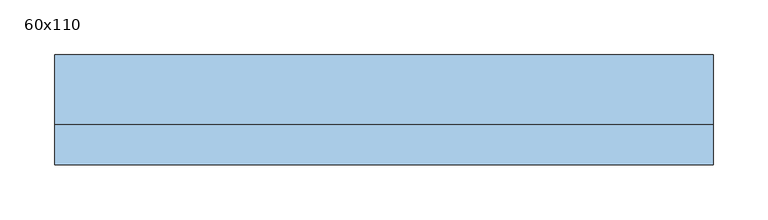
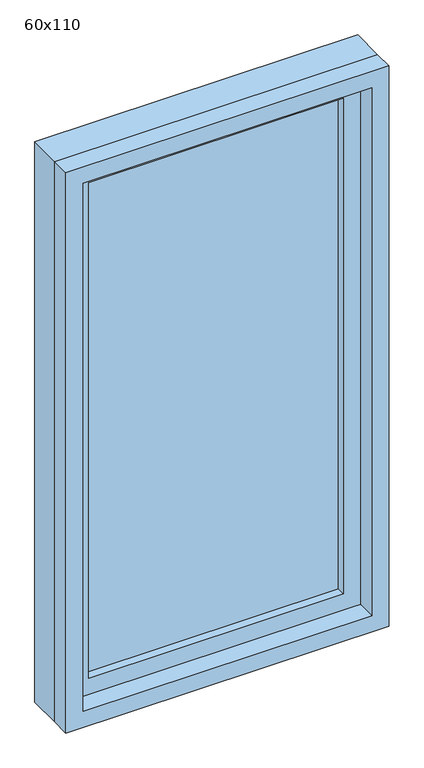
"""IFC4 building model written with IfcOpenShell, lengths in millimetres: window geometry, 60x110."""

import ifcopenshell
import ifcopenshell.guid

model = None  # the IFC model being written
_history = None  # IfcOwnerHistory: only IFC2X3 demands one
_inside = {}  # id of a spatial element -> (the spatial element, [elements in it])
_under = {}  # id of a project, library or spatial element -> (it, [spatial elements below it])
_declared = {}  # id of a project -> (the project, [libraries it declares])
_typed = {}  # id of a type object -> (the type object, [elements of that type])
_made_of = {}  # id of a material, layer set ... -> (it, [elements and type objects made of it])


def new_model(schema):
    """Start an empty IFC model of exactly this schema.

    Asked for "IFC4X3", IfcOpenShell would pick the latest addendum, in which some entities
    have other attributes; the version numbers below select the first issue.
    IFC2X3 requires an IfcOwnerHistory on every rooted entity: one is made here for all.
    """
    global model, _history
    if schema == "IFC4X3":
        model = ifcopenshell.file(schema_version=(4, 3, 0, 0))
    else:
        model = ifcopenshell.file(schema=schema)
    _inside.clear()
    _under.clear()
    _declared.clear()
    _typed.clear()
    _made_of.clear()
    _history = None
    if model.schema == "IFC2X3":
        org = make("IfcOrganization", Name="unknown")
        user = make(
            "IfcPersonAndOrganization",
            ThePerson=make("IfcPerson", FamilyName="unknown"),
            TheOrganization=org,
        )
        app = make(
            "IfcApplication",
            ApplicationDeveloper=org,
            Version="unknown",
            ApplicationFullName="unknown",
            ApplicationIdentifier="unknown",
        )
        _history = make(
            "IfcOwnerHistory",
            OwningUser=user,
            OwningApplication=app,
            ChangeAction="ADDED",
            CreationDate=0,
        )
    return model


def make(cls, **values):
    """One entity of the class cls with the attributes given. An attribute that is None is left unset."""
    return model.create_entity(
        cls, **{name: value for name, value in values.items() if value is not None}
    )


def rooted(cls, **values):
    """An entity with a GlobalId (a new one), such as an element, a storey or a relation."""
    return make(cls, GlobalId=ifcopenshell.guid.new(), OwnerHistory=_history, **values)


def si_unit(unit_type, name, prefix=None):
    """IfcSIUnit, for example si_unit("LENGTHUNIT", "METRE", prefix="MILLI")."""
    return make("IfcSIUnit", UnitType=unit_type, Prefix=prefix, Name=name)


def assignment(units):
    """IfcUnitAssignment: the units of a project."""
    return None if units is None else make("IfcUnitAssignment", Units=units)


def point(xyz):
    """IfcCartesianPoint."""
    return None if xyz is None else make("IfcCartesianPoint", Coordinates=xyz)


def direction(xyz):
    """IfcDirection."""
    return None if xyz is None else make("IfcDirection", DirectionRatios=xyz)


def frame(location, z_axis=None, x_axis=None):
    """IfcAxis2Placement3D, a coordinate frame: its origin and axes. An axis left out is left unset."""
    return make(
        "IfcAxis2Placement3D",
        Location=point(location),
        Axis=direction(z_axis),
        RefDirection=direction(x_axis),
    )


def origin():
    """The frame at (0, 0, 0) with its axes left unset."""
    return frame((0.0, 0.0, 0.0))


def place(relative_to, where):
    """IfcLocalPlacement: puts the frame where relative to a parent placement (None: the world)."""
    return make(
        "IfcLocalPlacement", PlacementRelTo=relative_to, RelativePlacement=where
    )


def context(
    kind, dimensions, precision=None, world=None, true_north=None, identifier=None
):
    """IfcGeometricRepresentationContext, for example the 3D "Model" context."""
    return make(
        "IfcGeometricRepresentationContext",
        ContextIdentifier=identifier,
        ContextType=kind,
        CoordinateSpaceDimension=dimensions,
        Precision=precision,
        WorldCoordinateSystem=world,
        TrueNorth=true_north,
    )


def project(units=None, contexts=None):
    """IfcProject with its units and contexts."""
    return rooted(
        "IfcProject",
        Name="project",
        RepresentationContexts=contexts,
        UnitsInContext=assignment(units),
    )


def spatial(cls, under=None, at=None, **own):
    """A site, building, storey or space (cls), placed at a placement, below another one or the project."""
    s = rooted(cls, ObjectPlacement=at, **own)
    if under is not None:
        _under.setdefault(under.id(), (under, []))[1].append(s)
    return s


def polyline(points):
    """IfcPolyline through the points."""
    return make("IfcPolyline", Points=[point(p) for p in points])


def outline(outer, holes=None, kind="AREA"):
    """IfcArbitraryClosedProfileDef: a profile drawn as a closed curve; with holes, ...WithVoids."""
    if holes is None:
        return make("IfcArbitraryClosedProfileDef", ProfileType=kind, OuterCurve=outer)
    return make(
        "IfcArbitraryProfileDefWithVoids",
        ProfileType=kind,
        OuterCurve=outer,
        InnerCurves=holes,
    )


def extrude(swept, where, along, depth):
    """IfcExtrudedAreaSolid: the profile swept, set in the frame where, extruded along a direction by depth."""
    return make(
        "IfcExtrudedAreaSolid",
        SweptArea=swept,
        Position=where,
        ExtrudedDirection=direction(along),
        Depth=depth,
    )


def shape(context_of_items, identifier, shape_type, items):
    """IfcShapeRepresentation: the items that make up one representation, for example the "Body"."""
    return make(
        "IfcShapeRepresentation",
        ContextOfItems=context_of_items,
        RepresentationIdentifier=identifier,
        RepresentationType=shape_type,
        Items=items,
    )


def source(mapping_origin, context_of_items, identifier, shape_type, items):
    """IfcRepresentationMap: a shape defined once, which mapped items show again and again."""
    return make(
        "IfcRepresentationMap",
        MappingOrigin=mapping_origin,
        MappedRepresentation=shape(context_of_items, identifier, shape_type, items),
    )


def transform(
    local_origin,
    x_axis=None,
    y_axis=None,
    z_axis=None,
    scale=None,
    scale2=None,
    scale3=None,
    uniform=True,
):
    """IfcCartesianTransformationOperator3D, or its non-uniform kind. x_axis, y_axis, z_axis: its Axis1, 2, 3."""
    if uniform:
        return make(
            "IfcCartesianTransformationOperator3D",
            Axis1=direction(x_axis),
            Axis2=direction(y_axis),
            LocalOrigin=point(local_origin),
            Scale=scale,
            Axis3=direction(z_axis),
        )
    return make(
        "IfcCartesianTransformationOperator3DnonUniform",
        Axis1=direction(x_axis),
        Axis2=direction(y_axis),
        LocalOrigin=point(local_origin),
        Scale=scale,
        Axis3=direction(z_axis),
        Scale2=scale2,
        Scale3=scale3,
    )


def mapped(mapping_source, mapping_target):
    """IfcMappedItem: shows the shape of a source again, moved by a transform."""
    return make(
        "IfcMappedItem", MappingSource=mapping_source, MappingTarget=mapping_target
    )


def made_of(thing, what):
    """Note that an element or type object is made of a material, layer set ...; save() writes the relation."""
    if what is not None:
        _made_of.setdefault(what.id(), (what, []))[1].append(thing)
    return thing


def element(
    cls,
    number,
    at=None,
    inside=None,
    cuts=None,
    type_object=None,
    material=None,
    context=None,
    identifier="Body",
    shape_type=None,
    held_by="IfcProductDefinitionShape",
    body=None,
    shapes=None,
    **own,
):
    """One element of the class cls, such as IfcWall. Its Tag is "e" and its number.

    at: its placement. inside: the storey or other place that contains it. cuts: it is an
    opening in that element (IfcRelVoidsElement). A single representation is given by context,
    identifier, shape_type and body (its items); several are given by shapes. held_by: the class
    of the entity that holds the representations. save() writes the other relations.
    """
    e = rooted(cls, Tag="e%d" % number, ObjectPlacement=at, **own)
    if body is not None:
        shapes = [shape(context, identifier, shape_type, body)]
    if shapes is not None:
        e.Representation = make(held_by, Representations=shapes)
    if inside is not None:
        _inside.setdefault(inside.id(), (inside, []))[1].append(e)
    if cuts is not None:
        rooted(
            "IfcRelVoidsElement", RelatingBuildingElement=cuts, RelatedOpeningElement=e
        )
    if type_object is not None:
        _typed.setdefault(type_object.id(), (type_object, []))[1].append(e)
    return made_of(e, material)


def aggregate(whole, parts):
    """IfcRelAggregates: a whole, such as a stair, and the parts it consists of."""
    return rooted("IfcRelAggregates", RelatingObject=whole, RelatedObjects=parts)


def save(model, path):
    """Write the relations noted so far, then the file.

    IfcRelAggregates (storeys below a building ...), IfcRelContainedInSpatialStructure (elements
    in a storey), IfcRelDefinesByType, IfcRelAssociatesMaterial and IfcRelDeclares: one each for
    every whole, place, type object, material and project.
    """
    for whole, parts in _under.values():
        aggregate(whole, parts)
    for where, things in _inside.values():
        rooted(
            "IfcRelContainedInSpatialStructure",
            RelatedElements=things,
            RelatingStructure=where,
        )
    for kind, things in _typed.values():
        rooted("IfcRelDefinesByType", RelatedObjects=things, RelatingType=kind)
    for what, things in _made_of.values():
        rooted("IfcRelAssociatesMaterial", RelatedObjects=things, RelatingMaterial=what)
    for by, libraries in _declared.values():
        rooted("IfcRelDeclares", RelatingContext=by, RelatedDefinitions=libraries)
    model.write(path)


def window_60x110_8d36b154(model_context):
    return source(origin(), model_context, "Body", "SweptSolid", [
        extrude(outline(polyline([(198.4, 2.375), (-274.6, 2.375), (-274.6, 15.075), (198.4, 15.075), (198.4, 2.375)])), frame((0.0, 0.0, 977.9), z_axis=(0.0, 0.0, 1.0), x_axis=(1.0, 0.0, 0.0)), (0.0, 0.0, 1.0), 973.0),
        extrude(outline(polyline([(1995.35, -319.05), (933.45, -319.05), (933.45, 242.85), (1995.35, 242.85), (1995.35, -319.05)]), holes=[polyline([(1950.9, -274.6), (1950.9, 198.4), (977.9, 198.4), (977.9, -274.6), (1950.9, -274.6)])]), frame((0.0, -13.5, 0.0), z_axis=(0.0, 1.0, 0.0), x_axis=(0.0, 0.0, 1.0)), (0.0, 0.0, 1.0), 44.45),
        extrude(outline(polyline([(2014.4, -338.1), (914.4, -338.1), (914.4, 261.9), (2014.4, 261.9), (2014.4, -338.1)]), holes=[polyline([(1982.65, -306.35), (1982.65, 230.15), (946.15, 230.15), (946.15, -306.35), (1982.65, -306.35)])]), frame((0.0, -50.0, 0.0), z_axis=(0.0, 1.0, 0.0), x_axis=(0.0, 0.0, 1.0)), (0.0, 0.0, 1.0), 36.5),
        extrude(outline(polyline([(2014.4, 261.9), (2014.4, -338.1), (914.4, -338.1), (914.4, 261.9), (2014.4, 261.9)]), holes=[polyline([(1995.35, 242.85), (933.45, 242.85), (933.45, -319.05), (1995.35, -319.05), (1995.35, 242.85)])]), frame((0.0, -13.5, 0.0), z_axis=(0.0, 1.0, 0.0), x_axis=(0.0, 0.0, 1.0)), (0.0, 0.0, 1.0), 63.5),
    ])


if __name__ == "__main__":
    model = new_model("IFC4")
    model_context = context("Model", 3, world=origin())
    ifc_project = project(units=[si_unit("LENGTHUNIT", "METRE", prefix="MILLI")], contexts=[model_context])
    site = spatial("IfcSite", under=ifc_project)
    building = spatial("IfcBuilding", under=site)
    placement = place(None, origin())
    window_60x110_shape = window_60x110_8d36b154(model_context)
    element("IfcWindow", 1, ObjectType="60x110", at=placement, inside=building, context=model_context, shape_type="MappedRepresentation", body=[
        mapped(window_60x110_shape, transform((0.0, 0.0, 0.0), x_axis=(1.0, 0.0, 0.0), y_axis=(0.0, 1.0, 0.0), z_axis=(0.0, 0.0, 1.0))),
    ])
    save(model, "model.ifc")
